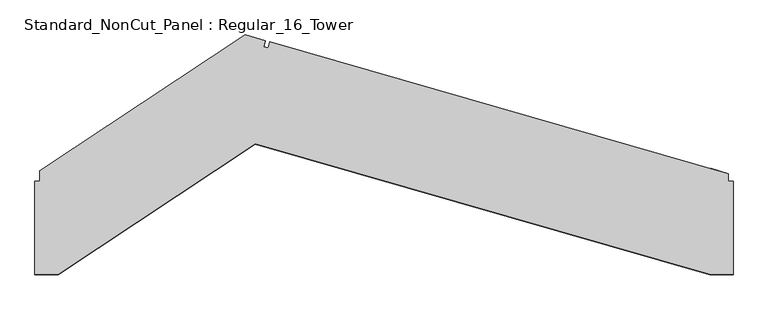
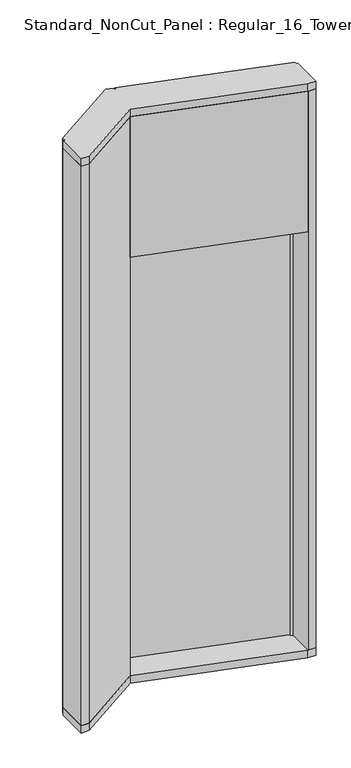
"""IFC4 building model written with IfcOpenShell, lengths in millimetres: plate geometry, Standard_NonCut_Panel : Regular_16_Tower."""

from ifc_helpers import new_model, si_unit, frame, origin, origin_with_axes, place, context, project, spatial, polyline, outline, extrude, source, transform, mapped, element, save


def standard_noncut_panel_regular_16_tower_59b6ea0f(model_context):
    return source(origin(), model_context, "Body", "SweptSolid", [
        extrude(outline(polyline([(-232.5037047, 434.8811047), (700.0, 167.4899702), (700.0, -0.1259106), (-276.9151468, 280.0), (-232.5037047, 434.8811047)])), frame((0.0, 0.0, 2875.0), z_axis=(0.0, 0.0, 1.0), x_axis=(1.0, 0.0, 0.0)), (0.0, 0.0, 1.0), 950.0),
        extrude(outline(polyline([(688.6823534, 181.1382475), (685.9259799, 171.5256305), (-232.5037047, 434.8811047), (-229.7473311, 444.4937217), (688.6823534, 181.1382475)])), frame((0.0, 0.0, 2875.0), z_axis=(0.0, 0.0, 1.0), x_axis=(1.0, 0.0, 0.0)), (0.0, 0.0, 1.0), 950.0),
        extrude(outline(polyline([(-750.0, 200.0), (-740.0, 200.0), (-740.0, 222.195367), (-298.3979318, 514.147162), (-254.9582438, 501.6910319), (-258.5415294, 489.1946299), (-248.9289124, 486.4382563), (-245.3456268, 498.9346584), (740.0, 216.3913465), (740.0, 200.0), (750.0, 200.0), (750.0, 0.0), (699.5608975, 0.0), (-276.6088803, 279.9121795), (-700.0, 0.0), (-750.0, 0.0), (-750.0, 200.0)])), frame((0.0, 0.0, 3825.0), z_axis=(0.0, 0.0, 1.0), x_axis=(1.0, 0.0, 0.0)), (0.0, 0.0, 1.0), 50.0),
        extrude(outline(polyline([(-750.0, 200.0), (-740.0, 200.0), (-740.0, 222.195367), (-298.3979318, 514.147162), (-254.9582438, 501.6910319), (-258.5415294, 489.1946299), (-248.9289124, 486.4382563), (-245.3456268, 498.9346584), (740.0, 216.3913465), (740.0, 200.0), (750.0, 200.0), (750.0, 0.0), (699.5608975, 0.0), (-276.6088803, 279.9121795), (-700.0, 0.0), (-750.0, 0.0), (-750.0, 200.0)])), origin_with_axes(), (0.0, 0.0, 1.0), 50.0),
        extrude(outline(polyline([(-229.7473311, 444.4937217), (-220.0910615, 478.1691357), (698.338623, 214.8136615), (688.6823534, 181.1382475), (-229.7473311, 444.4937217)])), frame((0.0, 0.0, 50.0), z_axis=(0.0, 0.0, 1.0), x_axis=(1.0, 0.0, 0.0)), (0.0, 0.0, 1.0), 3775.0),
        extrude(outline(polyline([(-740.0, 200.0), (-740.0, 222.195367), (-298.3979318, 514.147162), (-254.9582438, 501.6910319), (-258.5415294, 489.1946299), (-248.9289124, 486.4382563), (-245.3456268, 498.9346584), (-216.5077759, 490.6655377), (-277.0178605, 279.6417946), (-700.0, 0.0), (-750.0, 0.0), (-750.0, 200.0), (-740.0, 200.0)])), frame((0.0, 0.0, 50.0), z_axis=(0.0, 0.0, 1.0), x_axis=(1.0, 0.0, 0.0)), (0.0, 0.0, 1.0), 3775.0),
        extrude(outline(polyline([(750.0, 0.0), (700.0, 0.0), (700.0, 167.4899702), (685.9259799, 171.5256305), (701.9219086, 227.3100635), (740.0, 216.3913465), (740.0, 200.0), (750.0, 200.0), (750.0, 0.0)])), frame((0.0, 0.0, 50.0), z_axis=(0.0, 0.0, 1.0), x_axis=(1.0, 0.0, 0.0)), (0.0, 0.0, 1.0), 3775.0),
    ])


if __name__ == "__main__":
    model = new_model("IFC4")
    model_context = context("Model", 3, world=origin())
    ifc_project = project(units=[si_unit("LENGTHUNIT", "METRE", prefix="MILLI")], contexts=[model_context])
    site = spatial("IfcSite", under=ifc_project)
    building = spatial("IfcBuilding", under=site)
    placement = place(None, origin())
    standard_noncut_panel_regular_16_tower_shape = standard_noncut_panel_regular_16_tower_59b6ea0f(model_context)
    element("IfcPlate", 1, ObjectType="Standard_NonCut_Panel : Regular_16_Tower", at=placement, inside=building, context=model_context, shape_type="MappedRepresentation", body=[
        mapped(standard_noncut_panel_regular_16_tower_shape, transform((0.0, 0.0, 0.0), x_axis=(1.0, 0.0, 0.0), y_axis=(0.0, 1.0, 0.0), z_axis=(0.0, 0.0, 1.0))),
    ])
    save(model, "model.ifc")
